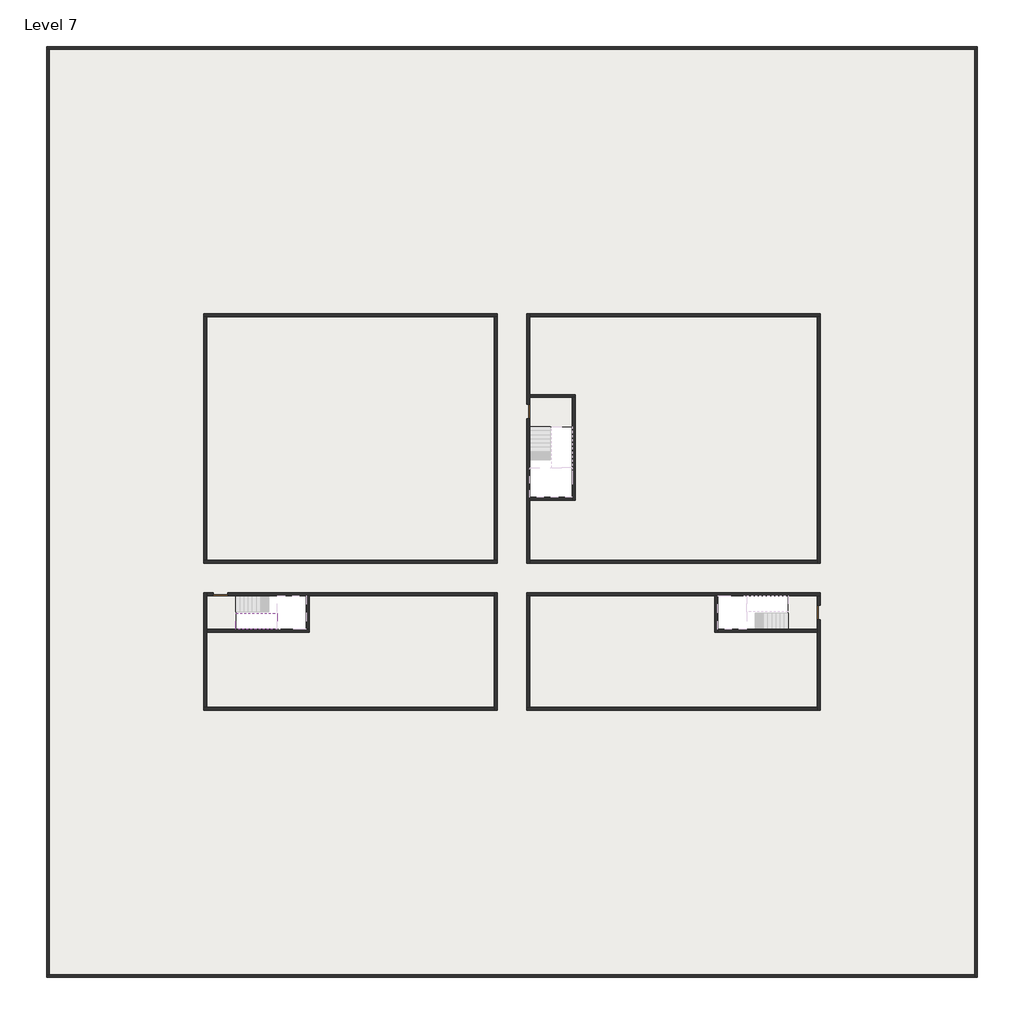
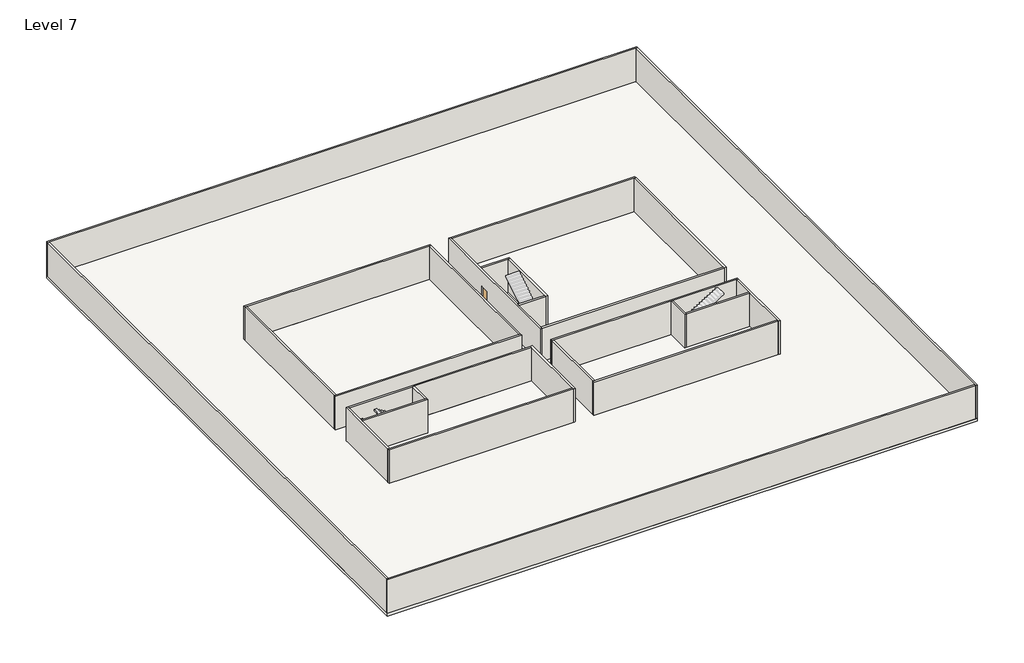
# One storey, part 1 of 2: 27 walls, 3 doors, 3 slabs, 1 stair flight.
"""IFC4 building model written with IfcOpenShell, lengths in millimetres."""

import ifcopenshell
import ifcopenshell.guid

model = None  # the IFC model being written
_history = None  # IfcOwnerHistory: only IFC2X3 demands one
_inside = {}  # id of a spatial element -> (the spatial element, [elements in it])
_under = {}  # id of a project, library or spatial element -> (it, [spatial elements below it])
_declared = {}  # id of a project -> (the project, [libraries it declares])
_typed = {}  # id of a type object -> (the type object, [elements of that type])
_made_of = {}  # id of a material, layer set ... -> (it, [elements and type objects made of it])


def new_model(schema):
    """Start an empty IFC model of exactly this schema.

    Asked for "IFC4X3", IfcOpenShell would pick the latest addendum, in which some entities
    have other attributes; the version numbers below select the first issue.
    IFC2X3 requires an IfcOwnerHistory on every rooted entity: one is made here for all.
    """
    global model, _history
    if schema == "IFC4X3":
        model = ifcopenshell.file(schema_version=(4, 3, 0, 0))
    else:
        model = ifcopenshell.file(schema=schema)
    _inside.clear()
    _under.clear()
    _declared.clear()
    _typed.clear()
    _made_of.clear()
    _history = None
    if model.schema == "IFC2X3":
        org = make("IfcOrganization", Name="unknown")
        user = make(
            "IfcPersonAndOrganization",
            ThePerson=make("IfcPerson", FamilyName="unknown"),
            TheOrganization=org,
        )
        app = make(
            "IfcApplication",
            ApplicationDeveloper=org,
            Version="unknown",
            ApplicationFullName="unknown",
            ApplicationIdentifier="unknown",
        )
        _history = make(
            "IfcOwnerHistory",
            OwningUser=user,
            OwningApplication=app,
            ChangeAction="ADDED",
            CreationDate=0,
        )
    return model


def make(cls, **values):
    """One entity of the class cls with the attributes given. An attribute that is None is left unset."""
    return model.create_entity(
        cls, **{name: value for name, value in values.items() if value is not None}
    )


def rooted(cls, **values):
    """An entity with a GlobalId (a new one), such as an element, a storey or a relation."""
    return make(cls, GlobalId=ifcopenshell.guid.new(), OwnerHistory=_history, **values)


def si_unit(unit_type, name, prefix=None):
    """IfcSIUnit, for example si_unit("LENGTHUNIT", "METRE", prefix="MILLI")."""
    return make("IfcSIUnit", UnitType=unit_type, Prefix=prefix, Name=name)


def assignment(units):
    """IfcUnitAssignment: the units of a project."""
    return None if units is None else make("IfcUnitAssignment", Units=units)


def point(xyz):
    """IfcCartesianPoint."""
    return None if xyz is None else make("IfcCartesianPoint", Coordinates=xyz)


def direction(xyz):
    """IfcDirection."""
    return None if xyz is None else make("IfcDirection", DirectionRatios=xyz)


def frame(location, z_axis=None, x_axis=None):
    """IfcAxis2Placement3D, a coordinate frame: its origin and axes. An axis left out is left unset."""
    return make(
        "IfcAxis2Placement3D",
        Location=point(location),
        Axis=direction(z_axis),
        RefDirection=direction(x_axis),
    )


def origin():
    """The frame at (0, 0, 0) with its axes left unset."""
    return frame((0.0, 0.0, 0.0))


def origin_with_axes():
    """The frame at (0, 0, 0) with the z axis (0, 0, 1) and the x axis (1, 0, 0) written out."""
    return frame((0.0, 0.0, 0.0), z_axis=(0.0, 0.0, 1.0), x_axis=(1.0, 0.0, 0.0))


def place(relative_to, where):
    """IfcLocalPlacement: puts the frame where relative to a parent placement (None: the world)."""
    return make(
        "IfcLocalPlacement", PlacementRelTo=relative_to, RelativePlacement=where
    )


def context(
    kind, dimensions, precision=None, world=None, true_north=None, identifier=None
):
    """IfcGeometricRepresentationContext, for example the 3D "Model" context."""
    return make(
        "IfcGeometricRepresentationContext",
        ContextIdentifier=identifier,
        ContextType=kind,
        CoordinateSpaceDimension=dimensions,
        Precision=precision,
        WorldCoordinateSystem=world,
        TrueNorth=true_north,
    )


def project(units=None, contexts=None):
    """IfcProject with its units and contexts."""
    return rooted(
        "IfcProject",
        Name="project",
        RepresentationContexts=contexts,
        UnitsInContext=assignment(units),
    )


def spatial(cls, under=None, at=None, **own):
    """A site, building, storey or space (cls), placed at a placement, below another one or the project."""
    s = rooted(cls, ObjectPlacement=at, **own)
    if under is not None:
        _under.setdefault(under.id(), (under, []))[1].append(s)
    return s


def polyline(points):
    """IfcPolyline through the points."""
    return make("IfcPolyline", Points=[point(p) for p in points])


def outline(outer, holes=None, kind="AREA"):
    """IfcArbitraryClosedProfileDef: a profile drawn as a closed curve; with holes, ...WithVoids."""
    if holes is None:
        return make("IfcArbitraryClosedProfileDef", ProfileType=kind, OuterCurve=outer)
    return make(
        "IfcArbitraryProfileDefWithVoids",
        ProfileType=kind,
        OuterCurve=outer,
        InnerCurves=holes,
    )


def extrude(swept, where, along, depth):
    """IfcExtrudedAreaSolid: the profile swept, set in the frame where, extruded along a direction by depth."""
    return make(
        "IfcExtrudedAreaSolid",
        SweptArea=swept,
        Position=where,
        ExtrudedDirection=direction(along),
        Depth=depth,
    )


def faces_of(points, faces, orient=None, outer=None):
    """IfcFace entities. A face is a list of loops; a loop is a list of indices into points, from 0.

    orient and outer hold one flag for each loop. By default every Orientation is true, the
    first loop of a face is its IfcFaceOuterBound and the others are IfcFaceBound.
    """
    made = []
    for i, loops in enumerate(faces):
        bounds = []
        for j, loop in enumerate(loops):
            is_outer = j == 0 if outer is None else outer[i][j]
            bounds.append(
                make(
                    "IfcFaceOuterBound" if is_outer else "IfcFaceBound",
                    Bound=make("IfcPolyLoop", Polygon=[points[k] for k in loop]),
                    Orientation=True if orient is None else orient[i][j],
                )
            )
        made.append(make("IfcFace", Bounds=bounds))
    return made


def faceted_brep(points, faces, orient=None, outer=None, voids=None):
    """IfcFacetedBrep: a solid bounded by flat faces; with voids (closed shells), ...WithVoids."""
    shared = [point(p) for p in points]
    hull = make("IfcClosedShell", CfsFaces=faces_of(shared, faces, orient, outer))
    if voids is None:
        return make("IfcFacetedBrep", Outer=hull)
    return make(
        "IfcFacetedBrepWithVoids",
        Outer=hull,
        Voids=[
            make(cls, CfsFaces=faces_of(shared, fs, o, b)) for cls, fs, o, b in voids
        ],
    )


def shape(context_of_items, identifier, shape_type, items):
    """IfcShapeRepresentation: the items that make up one representation, for example the "Body"."""
    return make(
        "IfcShapeRepresentation",
        ContextOfItems=context_of_items,
        RepresentationIdentifier=identifier,
        RepresentationType=shape_type,
        Items=items,
    )


def source(mapping_origin, context_of_items, identifier, shape_type, items):
    """IfcRepresentationMap: a shape defined once, which mapped items show again and again."""
    return make(
        "IfcRepresentationMap",
        MappingOrigin=mapping_origin,
        MappedRepresentation=shape(context_of_items, identifier, shape_type, items),
    )


def transform(
    local_origin,
    x_axis=None,
    y_axis=None,
    z_axis=None,
    scale=None,
    scale2=None,
    scale3=None,
    uniform=True,
):
    """IfcCartesianTransformationOperator3D, or its non-uniform kind. x_axis, y_axis, z_axis: its Axis1, 2, 3."""
    if uniform:
        return make(
            "IfcCartesianTransformationOperator3D",
            Axis1=direction(x_axis),
            Axis2=direction(y_axis),
            LocalOrigin=point(local_origin),
            Scale=scale,
            Axis3=direction(z_axis),
        )
    return make(
        "IfcCartesianTransformationOperator3DnonUniform",
        Axis1=direction(x_axis),
        Axis2=direction(y_axis),
        LocalOrigin=point(local_origin),
        Scale=scale,
        Axis3=direction(z_axis),
        Scale2=scale2,
        Scale3=scale3,
    )


def mapped(mapping_source, mapping_target):
    """IfcMappedItem: shows the shape of a source again, moved by a transform."""
    return make(
        "IfcMappedItem", MappingSource=mapping_source, MappingTarget=mapping_target
    )


def made_of(thing, what):
    """Note that an element or type object is made of a material, layer set ...; save() writes the relation."""
    if what is not None:
        _made_of.setdefault(what.id(), (what, []))[1].append(thing)
    return thing


def element(
    cls,
    number,
    at=None,
    inside=None,
    cuts=None,
    type_object=None,
    material=None,
    context=None,
    identifier="Body",
    shape_type=None,
    held_by="IfcProductDefinitionShape",
    body=None,
    shapes=None,
    **own,
):
    """One element of the class cls, such as IfcWall. Its Tag is "e" and its number.

    at: its placement. inside: the storey or other place that contains it. cuts: it is an
    opening in that element (IfcRelVoidsElement). A single representation is given by context,
    identifier, shape_type and body (its items); several are given by shapes. held_by: the class
    of the entity that holds the representations. save() writes the other relations.
    """
    e = rooted(cls, Tag="e%d" % number, ObjectPlacement=at, **own)
    if body is not None:
        shapes = [shape(context, identifier, shape_type, body)]
    if shapes is not None:
        e.Representation = make(held_by, Representations=shapes)
    if inside is not None:
        _inside.setdefault(inside.id(), (inside, []))[1].append(e)
    if cuts is not None:
        rooted(
            "IfcRelVoidsElement", RelatingBuildingElement=cuts, RelatedOpeningElement=e
        )
    if type_object is not None:
        _typed.setdefault(type_object.id(), (type_object, []))[1].append(e)
    return made_of(e, material)


def aggregate(whole, parts):
    """IfcRelAggregates: a whole, such as a stair, and the parts it consists of."""
    return rooted("IfcRelAggregates", RelatingObject=whole, RelatedObjects=parts)


def save(model, path):
    """Write the relations noted so far, then the file.

    IfcRelAggregates (storeys below a building ...), IfcRelContainedInSpatialStructure (elements
    in a storey), IfcRelDefinesByType, IfcRelAssociatesMaterial and IfcRelDeclares: one each for
    every whole, place, type object, material and project.
    """
    for whole, parts in _under.values():
        aggregate(whole, parts)
    for where, things in _inside.values():
        rooted(
            "IfcRelContainedInSpatialStructure",
            RelatedElements=things,
            RelatingStructure=where,
        )
    for kind, things in _typed.values():
        rooted("IfcRelDefinesByType", RelatedObjects=things, RelatingType=kind)
    for what, things in _made_of.values():
        rooted("IfcRelAssociatesMaterial", RelatedObjects=things, RelatingMaterial=what)
    for by, libraries in _declared.values():
        rooted("IfcRelDeclares", RelatingContext=by, RelatedDefinitions=libraries)
    model.write(path)


def door_fb3c37fd(model_context):
    return source(origin(), model_context, "Body", "SweptSolid", [
        extrude(outline(polyline([(500.0, 49.0), (-500.0, 49.0), (-500.0, 100.0), (500.0, 100.0), (500.0, 49.0)])), origin_with_axes(), (0.0, 0.0, 1.0), 2100.0),
    ])


def door_0317a72c(model_context):
    return source(origin(), model_context, "Body", "SweptSolid", [
        extrude(outline(polyline([(500.0, -49.0), (500.0, -100.0), (-500.0, -100.0), (-500.0, -49.0), (500.0, -49.0)])), origin_with_axes(), (0.0, 0.0, 1.0), 2100.0),
    ])


model = new_model("IFC4")

# Units and contexts
model_context = context("Model", 3, world=origin())
ifc_project = project(units=[si_unit("LENGTHUNIT", "METRE", prefix="MILLI")], contexts=[model_context])

# Site, building, storey
site = spatial("IfcSite", under=ifc_project)
building = spatial("IfcBuilding", under=site)
storey = spatial("IfcBuildingStorey", under=building, Name="Level 7", Elevation=22800.0)

# Doors
placement = place(None, origin())
door_shape = door_fb3c37fd(model_context)
element("IfcDoor", 1, at=placement, inside=storey, context=model_context, shape_type="MappedRepresentation", body=[
    mapped(door_shape, transform((4340.1058784, -42818.09644, 22800.0), x_axis=(-1.0, 0.0, 0.0), y_axis=(0.0, -1.0, 0.0), z_axis=(0.0, 0.0, 1.0))),
])
element("IfcDoor", 2, at=placement, inside=storey, context=model_context, shape_type="MappedRepresentation", body=[
    mapped(door_shape, transform((45090.1058784, -44068.09644, 22800.0), x_axis=(0.0, 1.0, 0.0), y_axis=(-1.0, 0.0, 0.0), z_axis=(0.0, 0.0, 1.0))),
])
door_2_shape = door_0317a72c(model_context)
element("IfcDoor", 3, at=placement, inside=storey, context=model_context, shape_type="MappedRepresentation", body=[
    mapped(door_2_shape, transform((25290.1058784, -30368.09644, 22800.0), x_axis=(0.0, 1.0, 0.0), y_axis=(-1.0, 0.0, 0.0), z_axis=(0.0, 0.0, 1.0))),
])

# Slabs
element("IfcSlab", 4, at=placement, inside=storey, context=model_context, shape_type="SweptSolid", body=[
    extrude(outline(polyline([(55890.1058784, -5518.09644), (55890.1058784, -68918.09644), (-7509.8941216, -68918.09644), (-7509.8941216, -5518.09644), (55890.1058784, -5518.09644)]), holes=[polyline([(22990.1058784, -23918.09644), (3390.1058784, -23918.09644), (3390.1058784, -40518.09644), (22990.1058784, -40518.09644), (22990.1058784, -23918.09644)]), polyline([(44990.1058784, -23918.09644), (25390.1058784, -23918.09644), (25390.1058784, -40518.09644), (44990.1058784, -40518.09644), (44990.1058784, -23918.09644)]), polyline([(44990.1058784, -42918.09644), (25390.1058784, -42918.09644), (25390.1058784, -50518.09644), (44990.1058784, -50518.09644), (44990.1058784, -42918.09644)]), polyline([(22990.1058784, -42918.09644), (3390.1058784, -42918.09644), (3390.1058784, -50518.09644), (22990.1058784, -50518.09644), (22990.1058784, -42918.09644)])]), frame((0.0, 0.0, 22500.0), z_axis=(0.0, 0.0, 1.0), x_axis=(1.0, 0.0, 0.0)), (0.0, 0.0, 1.0), 300.0),
])
element("IfcSlab", 5, at=placement, inside=storey, context=model_context, shape_type="SweptSolid", body=[
    extrude(outline(polyline([(22990.1058784, -23918.09644), (22990.1058784, -40518.09644), (3390.1058784, -40518.09644), (3390.1058784, -23918.09644), (22990.1058784, -23918.09644)])), frame((0.0, 0.0, 22500.0), z_axis=(0.0, 0.0, 1.0), x_axis=(1.0, 0.0, 0.0)), (0.0, 0.0, 1.0), 300.0),
    extrude(outline(polyline([(44990.1058784, -23918.09644), (44990.1058784, -40518.09644), (25390.1058784, -40518.09644), (25390.1058784, -36418.09644), (28490.1058784, -36418.09644), (28490.1058784, -29218.09644), (25390.1058784, -29218.09644), (25390.1058784, -23918.09644), (44990.1058784, -23918.09644)])), frame((0.0, 0.0, 22500.0), z_axis=(0.0, 0.0, 1.0), x_axis=(1.0, 0.0, 0.0)), (0.0, 0.0, 1.0), 300.0),
    extrude(outline(polyline([(22990.1058784, -42918.09644), (22990.1058784, -50518.09644), (3390.1058784, -50518.09644), (3390.1058784, -45418.09644), (10390.1058784, -45418.09644), (10390.1058784, -42918.09644), (22990.1058784, -42918.09644)])), frame((0.0, 0.0, 22500.0), z_axis=(0.0, 0.0, 1.0), x_axis=(1.0, 0.0, 0.0)), (0.0, 0.0, 1.0), 300.0),
    extrude(outline(polyline([(37990.1058784, -42918.09644), (37990.1058784, -45418.09644), (44990.1058784, -45418.09644), (44990.1058784, -50518.09644), (25390.1058784, -50518.09644), (25390.1058784, -42918.09644), (37990.1058784, -42918.09644)])), frame((0.0, 0.0, 22500.0), z_axis=(0.0, 0.0, 1.0), x_axis=(1.0, 0.0, 0.0)), (0.0, 0.0, 1.0), 300.0),
])
element("IfcSlab", 6, at=placement, inside=storey, context=model_context, shape_type="SweptSolid", body=[
    extrude(outline(polyline([(44990.1058784, -42918.09644), (44990.1058784, -45218.09644), (42990.1058784, -45218.09644), (42990.1058784, -42918.09644), (44990.1058784, -42918.09644)])), frame((0.0, 0.0, 22500.0), z_axis=(0.0, 0.0, 1.0), x_axis=(1.0, 0.0, 0.0)), (0.0, 0.0, 1.0), 300.0),
    extrude(outline(polyline([(5390.1058784, -42918.09644), (5390.1058784, -45218.09644), (3390.1058784, -45218.09644), (3390.1058784, -42918.09644), (5390.1058784, -42918.09644)])), frame((0.0, 0.0, 22500.0), z_axis=(0.0, 0.0, 1.0), x_axis=(1.0, 0.0, 0.0)), (0.0, 0.0, 1.0), 300.0),
    extrude(outline(polyline([(28290.1058784, -29418.09644), (28290.1058784, -31418.09644), (25390.1058784, -31418.09644), (25390.1058784, -29418.09644), (28290.1058784, -29418.09644)])), frame((0.0, 0.0, 22500.0), z_axis=(0.0, 0.0, 1.0), x_axis=(1.0, 0.0, 0.0)), (0.0, 0.0, 1.0), 300.0),
])

# Stair flight
element("IfcStairFlight", 7, at=placement, inside=storey, context=model_context, shape_type="Brep", body=[
    faceted_brep([(7910.1058784, -45218.09644, 24872.7272727), (8190.1058784, -45218.09644, 24872.7272727), (8190.1058784, -44118.09644, 24872.7272727), (7910.1058784, -44118.09644, 24872.7272727), (7910.1058784, -45218.09644, 24696.4823932), (8190.1058784, -45218.09644, 24523.7551205), (8190.1058784, -45218.09644, 24700.0), (8190.1058784, -44118.09644, 24523.7551205), (7910.1058784, -44118.09644, 24696.4823932), (7630.1058784, -45218.09644, 25045.4545455), (7910.1058784, -45218.09644, 25045.4545455), (7910.1058784, -44118.09644, 25045.4545455), (7630.1058784, -44118.09644, 25045.4545455), (7630.1058784, -45218.09644, 24869.209666), (7630.1058784, -44118.09644, 24869.209666), (7350.1058784, -45218.09644, 25218.1818182), (7630.1058784, -45218.09644, 25218.1818182), (7630.1058784, -44118.09644, 25218.1818182), (7350.1058784, -44118.09644, 25218.1818182), (7350.1058784, -45218.09644, 25041.9369387), (7350.1058784, -44118.09644, 25041.9369387), (7070.1058784, -45218.09644, 25390.9090909), (7350.1058784, -45218.09644, 25390.9090909), (7350.1058784, -44118.09644, 25390.9090909), (7070.1058784, -44118.09644, 25390.9090909), (7070.1058784, -45218.09644, 25214.6642114), (7070.1058784, -44118.09644, 25214.6642114), (6790.1058784, -45218.09644, 25563.6363636), (7070.1058784, -45218.09644, 25563.6363636), (7070.1058784, -44118.09644, 25563.6363636), (6790.1058784, -44118.09644, 25563.6363636), (6790.1058784, -45218.09644, 25387.3914841), (6790.1058784, -44118.09644, 25387.3914841), (6510.1058784, -45218.09644, 25736.3636364), (6790.1058784, -45218.09644, 25736.3636364), (6790.1058784, -44118.09644, 25736.3636364), (6510.1058784, -44118.09644, 25736.3636364), (6510.1058784, -45218.09644, 25560.1187569), (6510.1058784, -44118.09644, 25560.1187569), (6230.1058784, -45218.09644, 25909.0909091), (6510.1058784, -45218.09644, 25909.0909091), (6510.1058784, -44118.09644, 25909.0909091), (6230.1058784, -44118.09644, 25909.0909091), (6230.1058784, -45218.09644, 25732.8460296), (6230.1058784, -44118.09644, 25732.8460296), (5950.1058784, -45218.09644, 26081.8181818), (6230.1058784, -45218.09644, 26081.8181818), (6230.1058784, -44118.09644, 26081.8181818), (5950.1058784, -44118.09644, 26081.8181818), (5950.1058784, -45218.09644, 25905.5733023), (5950.1058784, -44118.09644, 25905.5733023), (5670.1058784, -45218.09644, 26254.5454545), (5950.1058784, -45218.09644, 26254.5454545), (5950.1058784, -44118.09644, 26254.5454545), (5670.1058784, -44118.09644, 26254.5454545), (5670.1058784, -45218.09644, 26078.3005751), (5670.1058784, -44118.09644, 26078.3005751), (5390.1058784, -45218.09644, 26427.2727273), (5670.1058784, -45218.09644, 26427.2727273), (5670.1058784, -44118.09644, 26427.2727273), (5390.1058784, -44118.09644, 26427.2727273), (5390.1058784, -45218.09644, 26251.0278478), (5390.1058784, -44118.09644, 26251.0278478)], [[[0, 1, 2, 3]], [[1, 0, 4, 5, 6]], [[2, 1, 6, 5, 7]], [[3, 2, 7, 8]], [[9, 10, 11, 12]], [[10, 9, 13, 4, 0]], [[11, 10, 0, 3]], [[12, 11, 3, 8, 14]], [[15, 16, 17, 18]], [[16, 15, 19, 13, 9]], [[17, 16, 9, 12]], [[18, 17, 12, 14, 20]], [[21, 22, 23, 24]], [[22, 21, 25, 19, 15]], [[23, 22, 15, 18]], [[24, 23, 18, 20, 26]], [[27, 28, 29, 30]], [[28, 27, 31, 25, 21]], [[29, 28, 21, 24]], [[30, 29, 24, 26, 32]], [[33, 34, 35, 36]], [[34, 33, 37, 31, 27]], [[35, 34, 27, 30]], [[36, 35, 30, 32, 38]], [[39, 40, 41, 42]], [[40, 39, 43, 37, 33]], [[41, 40, 33, 36]], [[42, 41, 36, 38, 44]], [[45, 46, 47, 48]], [[46, 45, 49, 43, 39]], [[47, 46, 39, 42]], [[48, 47, 42, 44, 50]], [[51, 52, 53, 54]], [[52, 51, 55, 49, 45]], [[53, 52, 45, 48]], [[54, 53, 48, 50, 56]], [[57, 58, 59, 60]], [[58, 57, 61, 55, 51]], [[59, 58, 51, 54]], [[60, 59, 54, 56, 62]], [[57, 60, 62, 61]], [[5, 4, 13, 19, 25, 31, 37, 43, 49, 55, 61, 62, 56, 50, 44, 38, 32, 26, 20, 14, 8, 7]]]),
])

# Walls
element("IfcWall", 8, at=placement, inside=storey, context=model_context, shape_type="Brep", body=[
    faceted_brep([(-7509.8941216, -5718.09644, 22800.0), (-7309.8941216, -5718.09644, 22800.0), (55690.1058784, -5718.09644, 22800.0), (55890.1058784, -5718.09644, 22800.0), (55890.1058784, -5718.09644, 26600.0), (55690.1058784, -5718.09644, 26600.0), (-7309.8941216, -5718.09644, 26600.0), (-7509.8941216, -5718.09644, 26600.0), (-7509.8941216, -5518.09644, 22800.0), (-7509.8941216, -5518.09644, 26600.0), (55890.1058784, -5518.09644, 26600.0), (55890.1058784, -5518.09644, 22800.0)], [[[0, 1, 2, 3, 4, 5, 6, 7]], [[8, 9, 10, 11]], [[3, 2, 1, 0, 8, 11]], [[7, 6, 5, 4, 10, 9]], [[4, 3, 11, 10]], [[0, 7, 9, 8]]]),
])
element("IfcWall", 9, at=placement, inside=storey, context=model_context, shape_type="Brep", body=[
    faceted_brep([(55690.1058784, -5718.09644, 22800.0), (55690.1058784, -68718.09644, 22800.0), (55690.1058784, -68918.09644, 22800.0), (55690.1058784, -68918.09644, 26600.0), (55690.1058784, -68718.09644, 26600.0), (55690.1058784, -5718.09644, 26600.0), (55890.1058784, -5718.09644, 22800.0), (55890.1058784, -5718.09644, 26600.0), (55890.1058784, -68918.09644, 26600.0), (55890.1058784, -68918.09644, 22800.0)], [[[0, 1, 2, 3, 4, 5]], [[6, 7, 8, 9]], [[2, 1, 0, 6, 9]], [[5, 4, 3, 8, 7]], [[0, 5, 7, 6]], [[3, 2, 9, 8]]]),
])
element("IfcWall", 10, at=placement, inside=storey, context=model_context, shape_type="Brep", body=[
    faceted_brep([(55690.1058784, -68718.09644, 22800.0), (-7309.8941216, -68718.09644, 22800.0), (-7509.8941216, -68718.09644, 22800.0), (-7509.8941216, -68718.09644, 26600.0), (-7309.8941216, -68718.09644, 26600.0), (55690.1058784, -68718.09644, 26600.0), (55690.1058784, -68918.09644, 22800.0), (55690.1058784, -68918.09644, 26600.0), (-7509.8941216, -68918.09644, 26600.0), (-7509.8941216, -68918.09644, 22800.0)], [[[0, 1, 2, 3, 4, 5]], [[6, 7, 8, 9]], [[2, 1, 0, 6, 9]], [[5, 4, 3, 8, 7]], [[0, 5, 7, 6]], [[3, 2, 9, 8]]]),
])
element("IfcWall", 11, at=placement, inside=storey, context=model_context, shape_type="SweptSolid", body=[
    extrude(outline(polyline([(-7309.8941216, -5718.09644), (-7309.8941216, -68718.09644), (-7509.8941216, -68718.09644), (-7509.8941216, -5718.09644), (-7309.8941216, -5718.09644)])), frame((0.0, 0.0, 22800.0), z_axis=(0.0, 0.0, 1.0), x_axis=(1.0, 0.0, 0.0)), (0.0, 0.0, 1.0), 3800.0),
])
element("IfcWall", 12, at=placement, inside=storey, context=model_context, shape_type="Brep", body=[
    faceted_brep([(3190.1058784, -23918.09644, 22800.0), (3390.1058784, -23918.09644, 22800.0), (22990.1058784, -23918.09644, 22800.0), (23190.1058784, -23918.09644, 22800.0), (23190.1058784, -23918.09644, 26600.0), (22990.1058784, -23918.09644, 26600.0), (3390.1058784, -23918.09644, 26600.0), (3190.1058784, -23918.09644, 26600.0), (3190.1058784, -23718.09644, 22800.0), (3190.1058784, -23718.09644, 26600.0), (23190.1058784, -23718.09644, 26600.0), (23190.1058784, -23718.09644, 22800.0)], [[[0, 1, 2, 3, 4, 5, 6, 7]], [[8, 9, 10, 11]], [[3, 2, 1, 0, 8, 11]], [[7, 6, 5, 4, 10, 9]], [[0, 7, 9, 8]], [[4, 3, 11, 10]]]),
])
element("IfcWall", 13, at=placement, inside=storey, context=model_context, shape_type="Brep", body=[
    faceted_brep([(44990.1058784, -23918.09644, 22800.0), (44990.1058784, -40518.09644, 22800.0), (44990.1058784, -40718.09644, 22800.0), (44990.1058784, -40718.09644, 26600.0), (44990.1058784, -40518.09644, 26600.0), (44990.1058784, -23918.09644, 26600.0), (45190.1058784, -23918.09644, 22800.0), (45190.1058784, -23918.09644, 26600.0), (45190.1058784, -40718.09644, 26600.0), (45190.1058784, -40718.09644, 22800.0)], [[[0, 1, 2, 3, 4, 5]], [[6, 7, 8, 9]], [[2, 1, 0, 6, 9]], [[5, 4, 3, 8, 7]], [[0, 5, 7, 6]], [[3, 2, 9, 8]]]),
])
element("IfcWall", 14, at=placement, inside=storey, context=model_context, shape_type="Brep", body=[
    faceted_brep([(44990.1058784, -50518.09644, 22800.0), (25390.1058784, -50518.09644, 22800.0), (25190.1058784, -50518.09644, 22800.0), (25190.1058784, -50518.09644, 26600.0), (25390.1058784, -50518.09644, 26600.0), (44990.1058784, -50518.09644, 26600.0), (44990.1058784, -50718.09644, 22800.0), (44990.1058784, -50718.09644, 26600.0), (25190.1058784, -50718.09644, 26600.0), (25190.1058784, -50718.09644, 22800.0)], [[[0, 1, 2, 3, 4, 5]], [[6, 7, 8, 9]], [[2, 1, 0, 6, 9]], [[5, 4, 3, 8, 7]], [[3, 2, 9, 8]], [[0, 5, 7, 6]]]),
])
element("IfcWall", 15, at=placement, inside=storey, context=model_context, shape_type="Brep", body=[
    faceted_brep([(3390.1058784, -50518.09644, 22800.0), (3390.1058784, -45418.09644, 22800.0), (3390.1058784, -45218.09644, 22800.0), (3390.1058784, -42918.09644, 22800.0), (3390.1058784, -42718.09644, 22800.0), (3390.1058784, -42718.09644, 26600.0), (3390.1058784, -42918.09644, 26600.0), (3390.1058784, -45218.09644, 26600.0), (3390.1058784, -45418.09644, 26600.0), (3390.1058784, -50518.09644, 26600.0), (3190.1058784, -50518.09644, 22800.0), (3190.1058784, -50518.09644, 26600.0), (3190.1058784, -42718.09644, 26600.0), (3190.1058784, -42718.09644, 22800.0)], [[[0, 1, 2, 3, 4, 5, 6, 7, 8, 9]], [[10, 11, 12, 13]], [[4, 3, 2, 1, 0, 10, 13]], [[9, 8, 7, 6, 5, 12, 11]], [[0, 9, 11, 10]], [[5, 4, 13, 12]]]),
])
element("IfcWall", 16, at=placement, inside=storey, context=model_context, shape_type="SweptSolid", body=[
    extrude(outline(polyline([(22990.1058784, -40518.09644), (22990.1058784, -23918.09644), (23190.1058784, -23918.09644), (23190.1058784, -40518.09644), (22990.1058784, -40518.09644)])), frame((0.0, 0.0, 22800.0), z_axis=(0.0, 0.0, 1.0), x_axis=(1.0, 0.0, 0.0)), (0.0, 0.0, 1.0), 3800.0),
])
element("IfcWall", 17, at=placement, inside=storey, context=model_context, shape_type="Brep", body=[
    faceted_brep([(23190.1058784, -40518.09644, 22800.0), (22990.1058784, -40518.09644, 22800.0), (3390.1058784, -40518.09644, 22800.0), (3190.1058784, -40518.09644, 22800.0), (3190.1058784, -40518.09644, 26600.0), (3390.1058784, -40518.09644, 26600.0), (22990.1058784, -40518.09644, 26600.0), (23190.1058784, -40518.09644, 26600.0), (23190.1058784, -40718.09644, 22800.0), (23190.1058784, -40718.09644, 26600.0), (3190.1058784, -40718.09644, 26600.0), (3190.1058784, -40718.09644, 22800.0)], [[[0, 1, 2, 3, 4, 5, 6, 7]], [[8, 9, 10, 11]], [[3, 2, 1, 0, 8, 11]], [[7, 6, 5, 4, 10, 9]], [[4, 3, 11, 10]], [[0, 7, 9, 8]]]),
])
element("IfcWall", 18, at=placement, inside=storey, context=model_context, shape_type="Brep", body=[
    faceted_brep([(3390.1058784, -42918.09644, 22800.0), (3840.1058784, -42918.09644, 22800.0), (3840.1058784, -42918.09644, 24900.0), (4840.1058784, -42918.09644, 24900.0), (4840.1058784, -42918.09644, 22800.0), (10190.1058784, -42918.09644, 22800.0), (10390.1058784, -42918.09644, 22800.0), (22990.1058784, -42918.09644, 22800.0), (22990.1058784, -42918.09644, 26600.0), (10390.1058784, -42918.09644, 26600.0), (10190.1058784, -42918.09644, 26600.0), (3390.1058784, -42918.09644, 26600.0), (3840.1058784, -42718.09644, 24900.0), (3840.1058784, -42718.09644, 22800.0), (3390.1058784, -42718.09644, 22800.0), (3390.1058784, -42718.09644, 26600.0), (22990.1058784, -42718.09644, 26600.0), (22990.1058784, -42718.09644, 22800.0), (4840.1058784, -42718.09644, 22800.0), (4840.1058784, -42718.09644, 24900.0)], [[[0, 1, 2, 3, 4, 5, 6, 7, 8, 9, 10, 11]], [[12, 13, 14, 15, 16, 17, 18, 19]], [[18, 17, 7, 6, 5, 4]], [[14, 13, 1, 0]], [[11, 10, 9, 8, 16, 15]], [[2, 1, 13, 12]], [[3, 2, 12, 19]], [[4, 3, 19, 18]], [[0, 11, 15, 14]], [[8, 7, 17, 16]]]),
])
element("IfcWall", 19, at=placement, inside=storey, context=model_context, shape_type="SweptSolid", body=[
    extrude(outline(polyline([(25390.1058784, -40518.09644), (44990.1058784, -40518.09644), (44990.1058784, -40718.09644), (25390.1058784, -40718.09644), (25390.1058784, -40518.09644)])), frame((0.0, 0.0, 22800.0), z_axis=(0.0, 0.0, 1.0), x_axis=(1.0, 0.0, 0.0)), (0.0, 0.0, 1.0), 3800.0),
])
element("IfcWall", 20, at=placement, inside=storey, context=model_context, shape_type="Brep", body=[
    faceted_brep([(25390.1058784, -29868.09644, 24900.0), (25390.1058784, -29868.09644, 22800.0), (25390.1058784, -29418.09644, 22800.0), (25390.1058784, -29218.09644, 22800.0), (25390.1058784, -23918.09644, 22800.0), (25390.1058784, -23718.09644, 22800.0), (25390.1058784, -23718.09644, 26600.0), (25390.1058784, -23918.09644, 26600.0), (25390.1058784, -29218.09644, 26600.0), (25390.1058784, -29418.09644, 26600.0), (25390.1058784, -36218.09644, 26600.0), (25390.1058784, -36418.09644, 26600.0), (25390.1058784, -40518.09644, 26600.0), (25390.1058784, -40718.09644, 26600.0), (25390.1058784, -40718.09644, 22800.0), (25390.1058784, -40518.09644, 22800.0), (25390.1058784, -36418.09644, 22800.0), (25390.1058784, -36218.09644, 22800.0), (25390.1058784, -30868.09644, 22800.0), (25390.1058784, -30868.09644, 24900.0), (25190.1058784, -23718.09644, 22800.0), (25190.1058784, -29868.09644, 22800.0), (25190.1058784, -29868.09644, 24900.0), (25190.1058784, -30868.09644, 24900.0), (25190.1058784, -30868.09644, 22800.0), (25190.1058784, -40718.09644, 22800.0), (25190.1058784, -40718.09644, 26600.0), (25190.1058784, -23718.09644, 26600.0)], [[[0, 1, 2, 3, 4, 5, 6, 7, 8, 9, 10, 11, 12, 13, 14, 15, 16, 17, 18, 19]], [[20, 21, 22, 23, 24, 25, 26, 27]], [[5, 4, 3, 2, 1, 21, 20]], [[18, 17, 16, 15, 14, 25, 24]], [[13, 12, 11, 10, 9, 8, 7, 6, 27, 26]], [[22, 21, 1, 0]], [[23, 22, 0, 19]], [[24, 23, 19, 18]], [[14, 13, 26, 25]], [[6, 5, 20, 27]]]),
])
element("IfcWall", 21, at=placement, inside=storey, context=model_context, shape_type="SweptSolid", body=[
    extrude(outline(polyline([(3390.1058784, -23918.09644), (3390.1058784, -40518.09644), (3190.1058784, -40518.09644), (3190.1058784, -23918.09644), (3390.1058784, -23918.09644)])), frame((0.0, 0.0, 22800.0), z_axis=(0.0, 0.0, 1.0), x_axis=(1.0, 0.0, 0.0)), (0.0, 0.0, 1.0), 3800.0),
])
element("IfcWall", 22, at=placement, inside=storey, context=model_context, shape_type="Brep", body=[
    faceted_brep([(25390.1058784, -23918.09644, 22800.0), (44990.1058784, -23918.09644, 22800.0), (45190.1058784, -23918.09644, 22800.0), (45190.1058784, -23918.09644, 26600.0), (44990.1058784, -23918.09644, 26600.0), (25390.1058784, -23918.09644, 26600.0), (25390.1058784, -23718.09644, 22800.0), (25390.1058784, -23718.09644, 26600.0), (45190.1058784, -23718.09644, 26600.0), (45190.1058784, -23718.09644, 22800.0)], [[[0, 1, 2, 3, 4, 5]], [[6, 7, 8, 9]], [[2, 1, 0, 6, 9]], [[5, 4, 3, 8, 7]], [[3, 2, 9, 8]], [[0, 5, 7, 6]]]),
])
element("IfcWall", 23, at=placement, inside=storey, context=model_context, shape_type="Brep", body=[
    faceted_brep([(44990.1058784, -42918.09644, 22800.0), (44990.1058784, -43568.09644, 22800.0), (44990.1058784, -43568.09644, 24900.0), (44990.1058784, -44568.09644, 24900.0), (44990.1058784, -44568.09644, 22800.0), (44990.1058784, -45218.09644, 22800.0), (44990.1058784, -45418.09644, 22800.0), (44990.1058784, -50518.09644, 22800.0), (44990.1058784, -50718.09644, 22800.0), (44990.1058784, -50718.09644, 26600.0), (44990.1058784, -50518.09644, 26600.0), (44990.1058784, -45418.09644, 26600.0), (44990.1058784, -45218.09644, 26600.0), (44990.1058784, -42918.09644, 26600.0), (45190.1058784, -43568.09644, 24900.0), (45190.1058784, -43568.09644, 22800.0), (45190.1058784, -42918.09644, 22800.0), (45190.1058784, -42918.09644, 26600.0), (45190.1058784, -50718.09644, 26600.0), (45190.1058784, -50718.09644, 22800.0), (45190.1058784, -44568.09644, 22800.0), (45190.1058784, -44568.09644, 24900.0)], [[[0, 1, 2, 3, 4, 5, 6, 7, 8, 9, 10, 11, 12, 13]], [[14, 15, 16, 17, 18, 19, 20, 21]], [[20, 19, 8, 7, 6, 5, 4]], [[16, 15, 1, 0]], [[13, 12, 11, 10, 9, 18, 17]], [[2, 1, 15, 14]], [[3, 2, 14, 21]], [[4, 3, 21, 20]], [[9, 8, 19, 18]], [[0, 13, 17, 16]]]),
])
element("IfcWall", 24, at=placement, inside=storey, context=model_context, shape_type="Brep", body=[
    faceted_brep([(25390.1058784, -29418.09644, 22800.0), (28290.1058784, -29418.09644, 22800.0), (28490.1058784, -29418.09644, 22800.0), (28490.1058784, -29418.09644, 26600.0), (28290.1058784, -29418.09644, 26600.0), (25390.1058784, -29418.09644, 26600.0), (25390.1058784, -29218.09644, 22800.0), (25390.1058784, -29218.09644, 26600.0), (28490.1058784, -29218.09644, 26600.0), (28490.1058784, -29218.09644, 22800.0)], [[[0, 1, 2, 3, 4, 5]], [[6, 7, 8, 9]], [[2, 1, 0, 6, 9]], [[5, 4, 3, 8, 7]], [[3, 2, 9, 8]], [[0, 5, 7, 6]]]),
])
element("IfcWall", 25, at=placement, inside=storey, context=model_context, shape_type="Brep", body=[
    faceted_brep([(28290.1058784, -29418.09644, 22800.0), (28290.1058784, -36218.09644, 22800.0), (28290.1058784, -36418.09644, 22800.0), (28290.1058784, -36418.09644, 26600.0), (28290.1058784, -36218.09644, 26600.0), (28290.1058784, -29418.09644, 26600.0), (28490.1058784, -29418.09644, 22800.0), (28490.1058784, -29418.09644, 26600.0), (28490.1058784, -36418.09644, 26600.0), (28490.1058784, -36418.09644, 22800.0)], [[[0, 1, 2, 3, 4, 5]], [[6, 7, 8, 9]], [[2, 1, 0, 6, 9]], [[5, 4, 3, 8, 7]], [[3, 2, 9, 8]], [[0, 5, 7, 6]]]),
])
element("IfcWall", 26, at=placement, inside=storey, context=model_context, shape_type="SweptSolid", body=[
    extrude(outline(polyline([(25390.1058784, -36218.09644), (28290.1058784, -36218.09644), (28290.1058784, -36418.09644), (25390.1058784, -36418.09644), (25390.1058784, -36218.09644)])), frame((0.0, 0.0, 22800.0), z_axis=(0.0, 0.0, 1.0), x_axis=(1.0, 0.0, 0.0)), (0.0, 0.0, 1.0), 3800.0),
])
element("IfcWall", 27, at=placement, inside=storey, context=model_context, shape_type="Brep", body=[
    faceted_brep([(3390.1058784, -45418.09644, 22800.0), (10390.1058784, -45418.09644, 22800.0), (10390.1058784, -45418.09644, 26600.0), (3390.1058784, -45418.09644, 26600.0), (3390.1058784, -45218.09644, 22800.0), (3390.1058784, -45218.09644, 26600.0), (10190.1058784, -45218.09644, 26600.0), (10390.1058784, -45218.09644, 26600.0), (10390.1058784, -45218.09644, 22800.0), (10190.1058784, -45218.09644, 22800.0)], [[[0, 1, 2, 3]], [[4, 5, 6, 7, 8, 9]], [[1, 0, 4, 9, 8]], [[3, 2, 7, 6, 5]], [[2, 1, 8, 7]], [[0, 3, 5, 4]]]),
])
element("IfcWall", 28, at=placement, inside=storey, context=model_context, shape_type="SweptSolid", body=[
    extrude(outline(polyline([(10390.1058784, -42918.09644), (10390.1058784, -45218.09644), (10190.1058784, -45218.09644), (10190.1058784, -42918.09644), (10390.1058784, -42918.09644)])), frame((0.0, 0.0, 22800.0), z_axis=(0.0, 0.0, 1.0), x_axis=(1.0, 0.0, 0.0)), (0.0, 0.0, 1.0), 3800.0),
])
element("IfcWall", 29, at=placement, inside=storey, context=model_context, shape_type="Brep", body=[
    faceted_brep([(37990.1058784, -42918.09644, 22800.0), (37990.1058784, -45418.09644, 22800.0), (37990.1058784, -45418.09644, 26600.0), (37990.1058784, -42918.09644, 26600.0), (38190.1058784, -42918.09644, 22800.0), (38190.1058784, -42918.09644, 26600.0), (38190.1058784, -45218.09644, 26600.0), (38190.1058784, -45418.09644, 26600.0), (38190.1058784, -45418.09644, 22800.0), (38190.1058784, -45218.09644, 22800.0)], [[[0, 1, 2, 3]], [[4, 5, 6, 7, 8, 9]], [[1, 0, 4, 9, 8]], [[3, 2, 7, 6, 5]], [[2, 1, 8, 7]], [[0, 3, 5, 4]]]),
])
element("IfcWall", 30, at=placement, inside=storey, context=model_context, shape_type="SweptSolid", body=[
    extrude(outline(polyline([(44990.1058784, -45418.09644), (38190.1058784, -45418.09644), (38190.1058784, -45218.09644), (44990.1058784, -45218.09644), (44990.1058784, -45418.09644)])), frame((0.0, 0.0, 22800.0), z_axis=(0.0, 0.0, 1.0), x_axis=(1.0, 0.0, 0.0)), (0.0, 0.0, 1.0), 3800.0),
])
element("IfcWall", 31, at=placement, inside=storey, context=model_context, shape_type="SweptSolid", body=[
    extrude(outline(polyline([(25190.1058784, -50518.09644), (25190.1058784, -42918.09644), (25390.1058784, -42918.09644), (25390.1058784, -50518.09644), (25190.1058784, -50518.09644)])), frame((0.0, 0.0, 22800.0), z_axis=(0.0, 0.0, 1.0), x_axis=(1.0, 0.0, 0.0)), (0.0, 0.0, 1.0), 3800.0),
])
element("IfcWall", 32, at=placement, inside=storey, context=model_context, shape_type="Brep", body=[
    faceted_brep([(22990.1058784, -42718.09644, 22800.0), (22990.1058784, -42918.09644, 22800.0), (22990.1058784, -50518.09644, 22800.0), (22990.1058784, -50718.09644, 22800.0), (22990.1058784, -50718.09644, 26600.0), (22990.1058784, -50518.09644, 26600.0), (22990.1058784, -42918.09644, 26600.0), (22990.1058784, -42718.09644, 26600.0), (23190.1058784, -42718.09644, 22800.0), (23190.1058784, -42718.09644, 26600.0), (23190.1058784, -50718.09644, 26600.0), (23190.1058784, -50718.09644, 22800.0)], [[[0, 1, 2, 3, 4, 5, 6, 7]], [[8, 9, 10, 11]], [[3, 2, 1, 0, 8, 11]], [[7, 6, 5, 4, 10, 9]], [[4, 3, 11, 10]], [[0, 7, 9, 8]]]),
])
element("IfcWall", 33, at=placement, inside=storey, context=model_context, shape_type="Brep", body=[
    faceted_brep([(25190.1058784, -42918.09644, 22800.0), (25390.1058784, -42918.09644, 22800.0), (37990.1058784, -42918.09644, 22800.0), (38190.1058784, -42918.09644, 22800.0), (44990.1058784, -42918.09644, 22800.0), (45190.1058784, -42918.09644, 22800.0), (45190.1058784, -42918.09644, 26600.0), (44990.1058784, -42918.09644, 26600.0), (38190.1058784, -42918.09644, 26600.0), (37990.1058784, -42918.09644, 26600.0), (25390.1058784, -42918.09644, 26600.0), (25190.1058784, -42918.09644, 26600.0), (25190.1058784, -42718.09644, 22800.0), (25190.1058784, -42718.09644, 26600.0), (45190.1058784, -42718.09644, 26600.0), (45190.1058784, -42718.09644, 22800.0)], [[[0, 1, 2, 3, 4, 5, 6, 7, 8, 9, 10, 11]], [[12, 13, 14, 15]], [[5, 4, 3, 2, 1, 0, 12, 15]], [[11, 10, 9, 8, 7, 6, 14, 13]], [[0, 11, 13, 12]], [[6, 5, 15, 14]]]),
])
element("IfcWall", 34, at=placement, inside=storey, context=model_context, shape_type="Brep", body=[
    faceted_brep([(22990.1058784, -50518.09644, 22800.0), (3390.1058784, -50518.09644, 22800.0), (3190.1058784, -50518.09644, 22800.0), (3190.1058784, -50518.09644, 26600.0), (3390.1058784, -50518.09644, 26600.0), (22990.1058784, -50518.09644, 26600.0), (22990.1058784, -50718.09644, 22800.0), (22990.1058784, -50718.09644, 26600.0), (3190.1058784, -50718.09644, 26600.0), (3190.1058784, -50718.09644, 22800.0)], [[[0, 1, 2, 3, 4, 5]], [[6, 7, 8, 9]], [[2, 1, 0, 6, 9]], [[5, 4, 3, 8, 7]], [[3, 2, 9, 8]], [[0, 5, 7, 6]]]),
])

save(model, "model.ifc")
